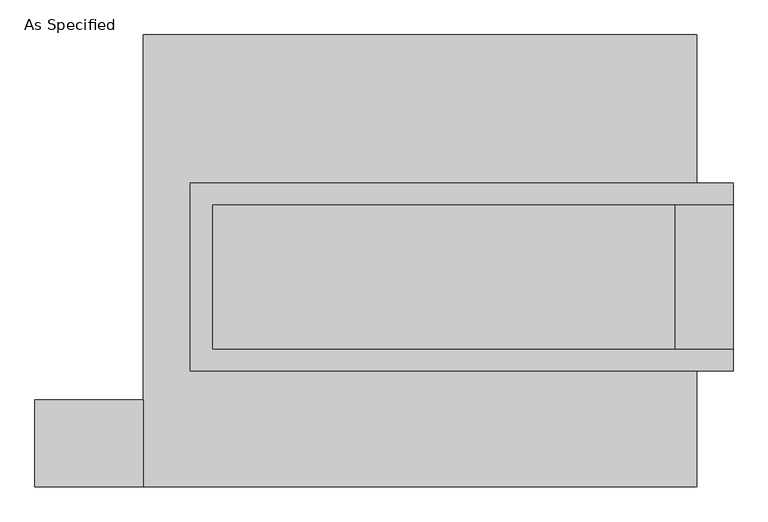
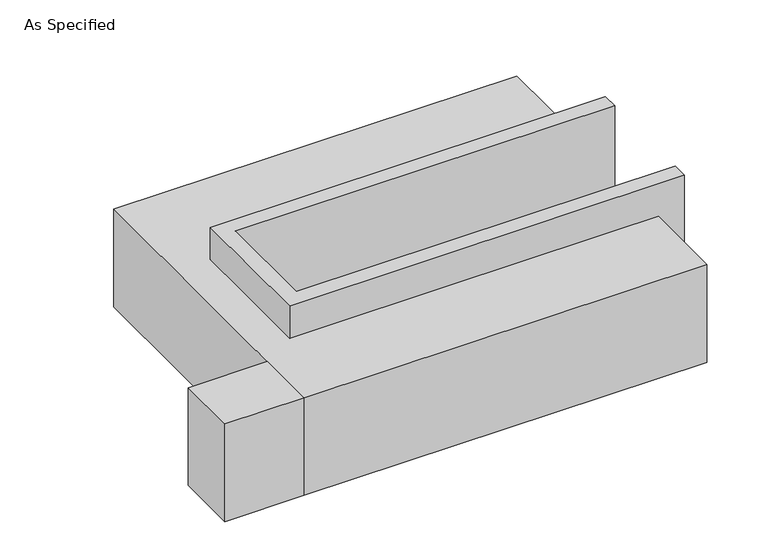
"""IFC4 building model written with IfcOpenShell, lengths in millimetres: proxy geometry, As Specified."""

from ifc_helpers import new_model, si_unit, frame, origin, place, context, project, spatial, polyline, outline, extrude, faceted_brep, source, transform, mapped, element, save


def as_specified_7065e811(model_context):
    return source(origin(), model_context, "Body", "SolidModel", [
        extrude(outline(polyline([(-971.55, -793.75), (-1352.55, -793.75), (-1352.55, -488.95), (-971.55, -488.95), (-971.55, -793.75)])), frame((0.0, 0.0, -523.9742188), z_axis=(0.0, 0.0, 1.0), x_axis=(1.0, 0.0, 0.0)), (0.0, 0.0, 1.0), 498.5742187),
        faceted_brep([(-806.45, 273.05, 139.7), (-806.45, 273.05, -393.7), (-806.45, 196.85, -393.7), (-806.45, 196.85, -25.4), (-806.45, -311.15, -25.4), (-806.45, -311.15, -393.7), (-806.45, -387.35, -393.7), (-806.45, -387.35, 139.7), (1098.55, 196.85, 139.7), (1098.55, 196.85, -317.5), (1098.55, -311.15, -317.5), (1098.55, -311.15, 139.7), (1098.55, -387.35, 139.7), (1098.55, -387.35, -393.7), (1098.55, 273.05, -393.7), (1098.55, 273.05, 139.7), (-730.25, -311.15, 139.7), (-730.25, 196.85, 139.7), (895.35, -311.15, -393.7), (895.35, 196.85, -393.7), (895.35, -311.15, -317.5), (-730.25, -311.15, -25.4), (895.35, 196.85, -317.5), (-730.25, 196.85, -25.4)], [[[0, 1, 2, 3, 4, 5, 6, 7]], [[8, 9, 10, 11, 12, 13, 14, 15]], [[0, 7, 12, 11, 16, 17, 8, 15]], [[1, 0, 15, 14]], [[14, 13, 6, 5, 18, 19, 2, 1]], [[7, 6, 13, 12]], [[11, 10, 20, 18, 5, 4, 21, 16]], [[10, 9, 22, 20]], [[9, 8, 17, 23, 3, 2, 19, 22]], [[18, 20, 22, 19]], [[23, 21, 4, 3]], [[17, 16, 21, 23]]]),
        faceted_brep([(-971.55, 793.75, -523.9742188), (971.55, 793.75, -523.9742188), (971.55, -793.75, -523.9742188), (-971.55, -793.75, -523.9742188), (971.55, 793.75, -25.4), (-971.55, 793.75, -25.4), (-971.55, -793.75, -25.4), (971.55, -793.75, -25.4), (971.55, -387.35, -25.4), (-806.45, -387.35, -25.4), (-806.45, 273.05, -25.4), (971.55, 273.05, -25.4), (971.55, 273.05, -393.7), (971.55, -387.35, -393.7), (-806.45, -387.35, -393.7), (-806.45, 273.05, -393.7)], [[[0, 1, 2, 3]], [[4, 5, 6, 7, 8, 9, 10, 11]], [[1, 0, 5, 4]], [[5, 0, 3, 6]], [[1, 4, 11, 12, 13, 8, 7, 2]], [[3, 2, 7, 6]], [[14, 15, 10, 9]], [[10, 15, 12, 11]], [[15, 14, 13, 12]], [[14, 9, 8, 13]]]),
    ])


if __name__ == "__main__":
    model = new_model("IFC4")
    model_context = context("Model", 3, world=origin())
    ifc_project = project(units=[si_unit("LENGTHUNIT", "METRE", prefix="MILLI")], contexts=[model_context])
    site = spatial("IfcSite", under=ifc_project)
    building = spatial("IfcBuilding", under=site)
    placement = place(None, origin())
    as_specified_shape = as_specified_7065e811(model_context)
    element("IfcBuildingElementProxy", 1, Name="As Specified", ObjectType="As Specified", at=placement, inside=building, context=model_context, shape_type="MappedRepresentation", body=[
        mapped(as_specified_shape, transform((0.0, 0.0, 0.0), x_axis=(1.0, 0.0, 0.0), y_axis=(0.0, 1.0, 0.0), z_axis=(0.0, 0.0, 1.0))),
    ])
    save(model, "model.ifc")
